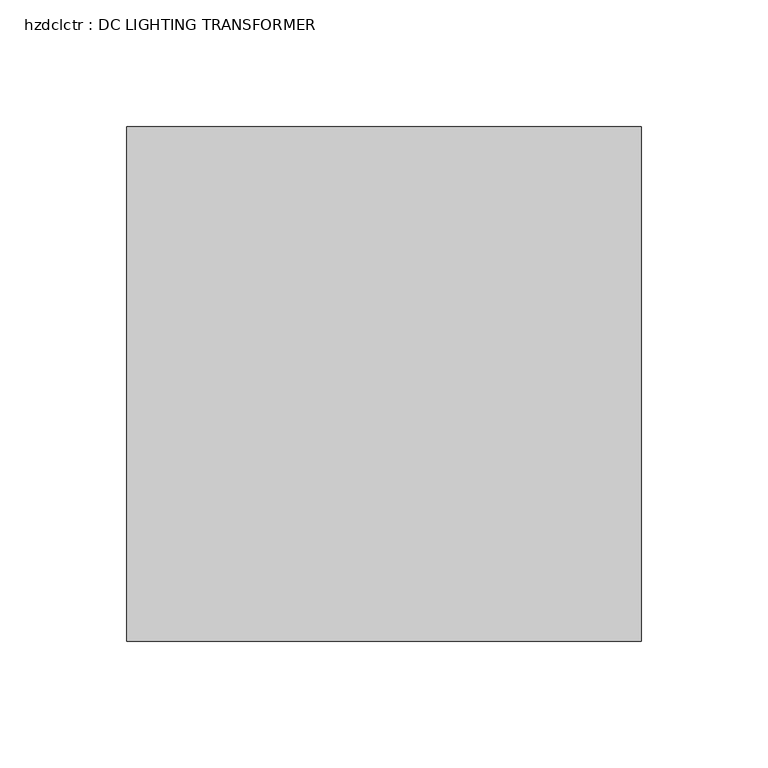
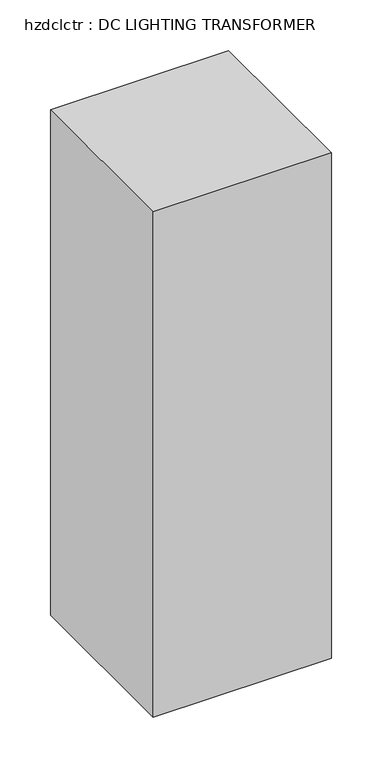
"""IFC4 building model written with IfcOpenShell, lengths in millimetres: proxy geometry, hzdclctr : DC LIGHTING TRANSFORMER."""

from ifc_helpers import new_model, si_unit, origin, origin_with_axes, place, context, project, spatial, polyline, outline, extrude, source, transform, mapped, element, save


def hzdclctr_dc_lighting_transformer_38707649(model_context):
    return source(origin(), model_context, "Body", "SweptSolid", [
        extrude(outline(polyline([(-74.5036378, -651.4249791), (128.6961082, -651.4249791), (128.6961082, -854.6249791), (-74.5036378, -854.6249791), (-74.5036378, -651.4249791)])), origin_with_axes(), (0.0, 0.0, 1.0), 609.6),
    ])


if __name__ == "__main__":
    model = new_model("IFC4")
    model_context = context("Model", 3, world=origin())
    ifc_project = project(units=[si_unit("LENGTHUNIT", "METRE", prefix="MILLI")], contexts=[model_context])
    site = spatial("IfcSite", under=ifc_project)
    building = spatial("IfcBuilding", under=site)
    placement = place(None, origin())
    hzdclctr_dc_lighting_transformer_shape = hzdclctr_dc_lighting_transformer_38707649(model_context)
    element("IfcBuildingElementProxy", 1, Name="hzdclctr : DC LIGHTING TRANSFORMER", ObjectType="hzdclctr : DC LIGHTING TRANSFORMER", at=placement, inside=building, context=model_context, shape_type="MappedRepresentation", body=[
        mapped(hzdclctr_dc_lighting_transformer_shape, transform((0.0, 0.0, 0.0), x_axis=(1.0, 0.0, 0.0), y_axis=(0.0, 1.0, 0.0), z_axis=(0.0, 0.0, 1.0))),
    ])
    save(model, "model.ifc")
